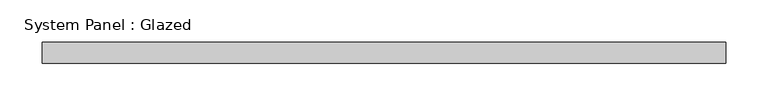
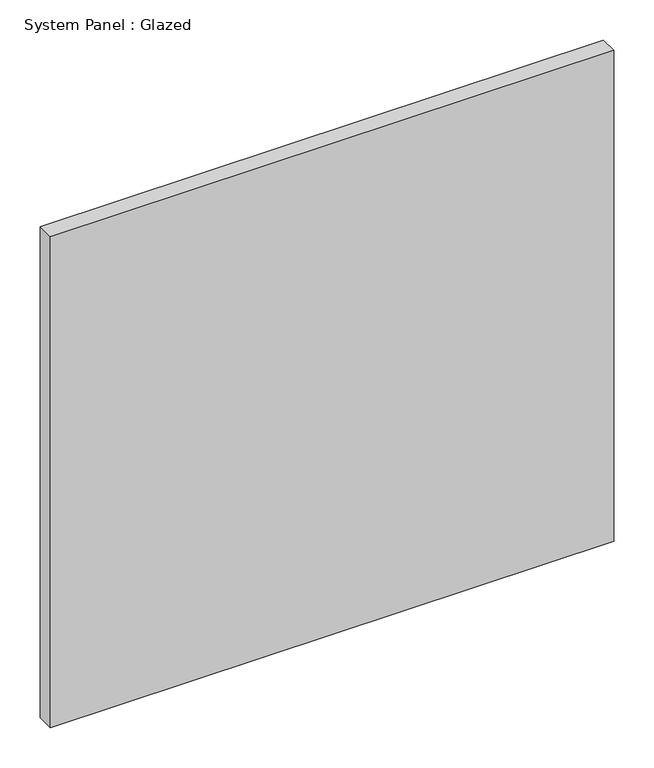
"""IFC4 building model written with IfcOpenShell, lengths in millimetres: plate geometry, System Panel : Glazed."""

from ifc_helpers import new_model, si_unit, origin, origin_with_axes, place, context, project, spatial, polyline, outline, extrude, source, transform, mapped, element, save


def system_panel_glazed_b68d3d3c(model_context):
    return source(origin(), model_context, "Body", "SweptSolid", [
        extrude(outline(polyline([(404.1666667, -49.5), (-404.1666667, -49.5), (-404.1666667, -24.5), (404.1666667, -24.5), (404.1666667, -49.5)])), origin_with_axes(), (0.0, 0.0, 1.0), 745.0),
    ])


if __name__ == "__main__":
    model = new_model("IFC4")
    model_context = context("Model", 3, world=origin())
    ifc_project = project(units=[si_unit("LENGTHUNIT", "METRE", prefix="MILLI")], contexts=[model_context])
    site = spatial("IfcSite", under=ifc_project)
    building = spatial("IfcBuilding", under=site)
    placement = place(None, origin())
    system_panel_glazed_shape = system_panel_glazed_b68d3d3c(model_context)
    element("IfcPlate", 1, ObjectType="System Panel : Glazed", at=placement, inside=building, context=model_context, shape_type="MappedRepresentation", body=[
        mapped(system_panel_glazed_shape, transform((0.0, 0.0, 0.0), x_axis=(1.0, 0.0, 0.0), y_axis=(0.0, 1.0, 0.0), z_axis=(0.0, 0.0, 1.0))),
    ])
    save(model, "model.ifc")
